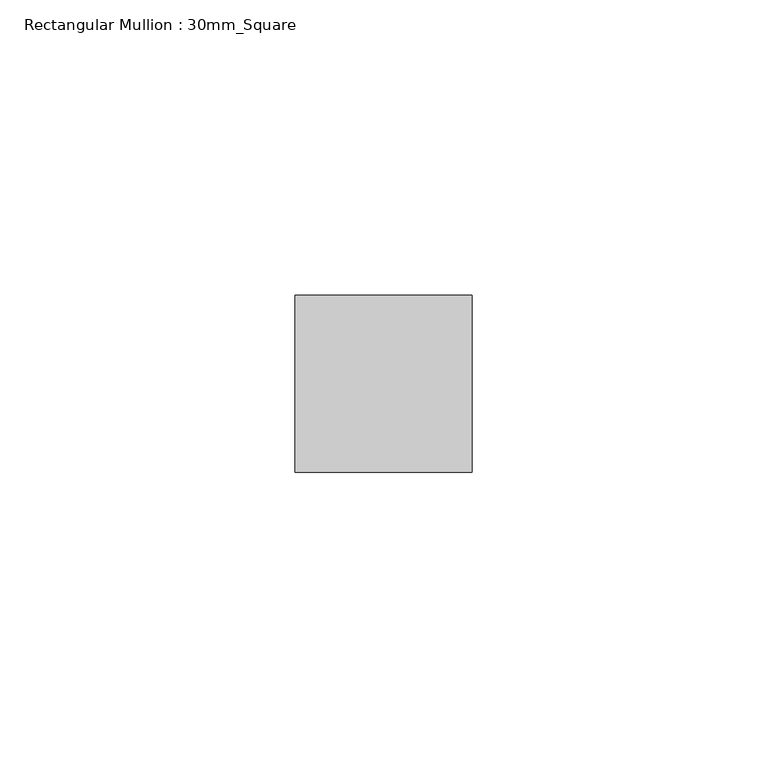
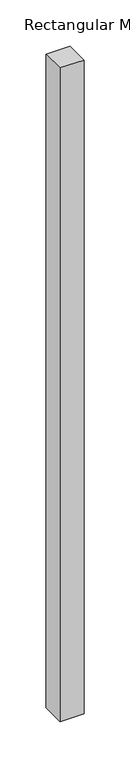
"""IFC4 building model written with IfcOpenShell, lengths in millimetres: member geometry, Rectangular Mullion : 30mm_Square."""

import ifcopenshell
import ifcopenshell.guid

model = None  # the IFC model being written
_history = None  # IfcOwnerHistory: only IFC2X3 demands one
_inside = {}  # id of a spatial element -> (the spatial element, [elements in it])
_under = {}  # id of a project, library or spatial element -> (it, [spatial elements below it])
_declared = {}  # id of a project -> (the project, [libraries it declares])
_typed = {}  # id of a type object -> (the type object, [elements of that type])
_made_of = {}  # id of a material, layer set ... -> (it, [elements and type objects made of it])


def new_model(schema):
    """Start an empty IFC model of exactly this schema.

    Asked for "IFC4X3", IfcOpenShell would pick the latest addendum, in which some entities
    have other attributes; the version numbers below select the first issue.
    IFC2X3 requires an IfcOwnerHistory on every rooted entity: one is made here for all.
    """
    global model, _history
    if schema == "IFC4X3":
        model = ifcopenshell.file(schema_version=(4, 3, 0, 0))
    else:
        model = ifcopenshell.file(schema=schema)
    _inside.clear()
    _under.clear()
    _declared.clear()
    _typed.clear()
    _made_of.clear()
    _history = None
    if model.schema == "IFC2X3":
        org = make("IfcOrganization", Name="unknown")
        user = make(
            "IfcPersonAndOrganization",
            ThePerson=make("IfcPerson", FamilyName="unknown"),
            TheOrganization=org,
        )
        app = make(
            "IfcApplication",
            ApplicationDeveloper=org,
            Version="unknown",
            ApplicationFullName="unknown",
            ApplicationIdentifier="unknown",
        )
        _history = make(
            "IfcOwnerHistory",
            OwningUser=user,
            OwningApplication=app,
            ChangeAction="ADDED",
            CreationDate=0,
        )
    return model


def make(cls, **values):
    """One entity of the class cls with the attributes given. An attribute that is None is left unset."""
    return model.create_entity(
        cls, **{name: value for name, value in values.items() if value is not None}
    )


def rooted(cls, **values):
    """An entity with a GlobalId (a new one), such as an element, a storey or a relation."""
    return make(cls, GlobalId=ifcopenshell.guid.new(), OwnerHistory=_history, **values)


def si_unit(unit_type, name, prefix=None):
    """IfcSIUnit, for example si_unit("LENGTHUNIT", "METRE", prefix="MILLI")."""
    return make("IfcSIUnit", UnitType=unit_type, Prefix=prefix, Name=name)


def assignment(units):
    """IfcUnitAssignment: the units of a project."""
    return None if units is None else make("IfcUnitAssignment", Units=units)


def point(xyz):
    """IfcCartesianPoint."""
    return None if xyz is None else make("IfcCartesianPoint", Coordinates=xyz)


def direction(xyz):
    """IfcDirection."""
    return None if xyz is None else make("IfcDirection", DirectionRatios=xyz)


def frame(location, z_axis=None, x_axis=None):
    """IfcAxis2Placement3D, a coordinate frame: its origin and axes. An axis left out is left unset."""
    return make(
        "IfcAxis2Placement3D",
        Location=point(location),
        Axis=direction(z_axis),
        RefDirection=direction(x_axis),
    )


def origin():
    """The frame at (0, 0, 0) with its axes left unset."""
    return frame((0.0, 0.0, 0.0))


def place(relative_to, where):
    """IfcLocalPlacement: puts the frame where relative to a parent placement (None: the world)."""
    return make(
        "IfcLocalPlacement", PlacementRelTo=relative_to, RelativePlacement=where
    )


def context(
    kind, dimensions, precision=None, world=None, true_north=None, identifier=None
):
    """IfcGeometricRepresentationContext, for example the 3D "Model" context."""
    return make(
        "IfcGeometricRepresentationContext",
        ContextIdentifier=identifier,
        ContextType=kind,
        CoordinateSpaceDimension=dimensions,
        Precision=precision,
        WorldCoordinateSystem=world,
        TrueNorth=true_north,
    )


def project(units=None, contexts=None):
    """IfcProject with its units and contexts."""
    return rooted(
        "IfcProject",
        Name="project",
        RepresentationContexts=contexts,
        UnitsInContext=assignment(units),
    )


def spatial(cls, under=None, at=None, **own):
    """A site, building, storey or space (cls), placed at a placement, below another one or the project."""
    s = rooted(cls, ObjectPlacement=at, **own)
    if under is not None:
        _under.setdefault(under.id(), (under, []))[1].append(s)
    return s


def polyline(points):
    """IfcPolyline through the points."""
    return make("IfcPolyline", Points=[point(p) for p in points])


def outline(outer, holes=None, kind="AREA"):
    """IfcArbitraryClosedProfileDef: a profile drawn as a closed curve; with holes, ...WithVoids."""
    if holes is None:
        return make("IfcArbitraryClosedProfileDef", ProfileType=kind, OuterCurve=outer)
    return make(
        "IfcArbitraryProfileDefWithVoids",
        ProfileType=kind,
        OuterCurve=outer,
        InnerCurves=holes,
    )


def extrude(swept, where, along, depth):
    """IfcExtrudedAreaSolid: the profile swept, set in the frame where, extruded along a direction by depth."""
    return make(
        "IfcExtrudedAreaSolid",
        SweptArea=swept,
        Position=where,
        ExtrudedDirection=direction(along),
        Depth=depth,
    )


def shape(context_of_items, identifier, shape_type, items):
    """IfcShapeRepresentation: the items that make up one representation, for example the "Body"."""
    return make(
        "IfcShapeRepresentation",
        ContextOfItems=context_of_items,
        RepresentationIdentifier=identifier,
        RepresentationType=shape_type,
        Items=items,
    )


def source(mapping_origin, context_of_items, identifier, shape_type, items):
    """IfcRepresentationMap: a shape defined once, which mapped items show again and again."""
    return make(
        "IfcRepresentationMap",
        MappingOrigin=mapping_origin,
        MappedRepresentation=shape(context_of_items, identifier, shape_type, items),
    )


def transform(
    local_origin,
    x_axis=None,
    y_axis=None,
    z_axis=None,
    scale=None,
    scale2=None,
    scale3=None,
    uniform=True,
):
    """IfcCartesianTransformationOperator3D, or its non-uniform kind. x_axis, y_axis, z_axis: its Axis1, 2, 3."""
    if uniform:
        return make(
            "IfcCartesianTransformationOperator3D",
            Axis1=direction(x_axis),
            Axis2=direction(y_axis),
            LocalOrigin=point(local_origin),
            Scale=scale,
            Axis3=direction(z_axis),
        )
    return make(
        "IfcCartesianTransformationOperator3DnonUniform",
        Axis1=direction(x_axis),
        Axis2=direction(y_axis),
        LocalOrigin=point(local_origin),
        Scale=scale,
        Axis3=direction(z_axis),
        Scale2=scale2,
        Scale3=scale3,
    )


def mapped(mapping_source, mapping_target):
    """IfcMappedItem: shows the shape of a source again, moved by a transform."""
    return make(
        "IfcMappedItem", MappingSource=mapping_source, MappingTarget=mapping_target
    )


def made_of(thing, what):
    """Note that an element or type object is made of a material, layer set ...; save() writes the relation."""
    if what is not None:
        _made_of.setdefault(what.id(), (what, []))[1].append(thing)
    return thing


def element(
    cls,
    number,
    at=None,
    inside=None,
    cuts=None,
    type_object=None,
    material=None,
    context=None,
    identifier="Body",
    shape_type=None,
    held_by="IfcProductDefinitionShape",
    body=None,
    shapes=None,
    **own,
):
    """One element of the class cls, such as IfcWall. Its Tag is "e" and its number.

    at: its placement. inside: the storey or other place that contains it. cuts: it is an
    opening in that element (IfcRelVoidsElement). A single representation is given by context,
    identifier, shape_type and body (its items); several are given by shapes. held_by: the class
    of the entity that holds the representations. save() writes the other relations.
    """
    e = rooted(cls, Tag="e%d" % number, ObjectPlacement=at, **own)
    if body is not None:
        shapes = [shape(context, identifier, shape_type, body)]
    if shapes is not None:
        e.Representation = make(held_by, Representations=shapes)
    if inside is not None:
        _inside.setdefault(inside.id(), (inside, []))[1].append(e)
    if cuts is not None:
        rooted(
            "IfcRelVoidsElement", RelatingBuildingElement=cuts, RelatedOpeningElement=e
        )
    if type_object is not None:
        _typed.setdefault(type_object.id(), (type_object, []))[1].append(e)
    return made_of(e, material)


def aggregate(whole, parts):
    """IfcRelAggregates: a whole, such as a stair, and the parts it consists of."""
    return rooted("IfcRelAggregates", RelatingObject=whole, RelatedObjects=parts)


def save(model, path):
    """Write the relations noted so far, then the file.

    IfcRelAggregates (storeys below a building ...), IfcRelContainedInSpatialStructure (elements
    in a storey), IfcRelDefinesByType, IfcRelAssociatesMaterial and IfcRelDeclares: one each for
    every whole, place, type object, material and project.
    """
    for whole, parts in _under.values():
        aggregate(whole, parts)
    for where, things in _inside.values():
        rooted(
            "IfcRelContainedInSpatialStructure",
            RelatedElements=things,
            RelatingStructure=where,
        )
    for kind, things in _typed.values():
        rooted("IfcRelDefinesByType", RelatedObjects=things, RelatingType=kind)
    for what, things in _made_of.values():
        rooted("IfcRelAssociatesMaterial", RelatedObjects=things, RelatingMaterial=what)
    for by, libraries in _declared.values():
        rooted("IfcRelDeclares", RelatingContext=by, RelatedDefinitions=libraries)
    model.write(path)


def rectangular_mullion_30mm_square_5752fd63(model_context):
    return source(origin(), model_context, "Body", "SweptSolid", [
        extrude(outline(polyline([(0.0, 15.0), (0.0, -15.0), (-30.0, -15.0), (-30.0, 15.0), (0.0, 15.0)])), frame((0.0, 0.0, -862.8855), z_axis=(0.0, 0.0, 1.0), x_axis=(1.0, 0.0, 0.0)), (0.0, 0.0, 1.0), 862.8855),
    ])


if __name__ == "__main__":
    model = new_model("IFC4")
    model_context = context("Model", 3, world=origin())
    ifc_project = project(units=[si_unit("LENGTHUNIT", "METRE", prefix="MILLI")], contexts=[model_context])
    site = spatial("IfcSite", under=ifc_project)
    building = spatial("IfcBuilding", under=site)
    placement = place(None, origin())
    rectangular_mullion_30mm_square_shape = rectangular_mullion_30mm_square_5752fd63(model_context)
    element("IfcMember", 1, ObjectType="Rectangular Mullion : 30mm_Square", at=placement, inside=building, context=model_context, shape_type="MappedRepresentation", body=[
        mapped(rectangular_mullion_30mm_square_shape, transform((0.0, 0.0, 0.0), x_axis=(1.0, 0.0, 0.0), y_axis=(0.0, 1.0, 0.0), z_axis=(0.0, 0.0, 1.0))),
    ])
    save(model, "model.ifc")
